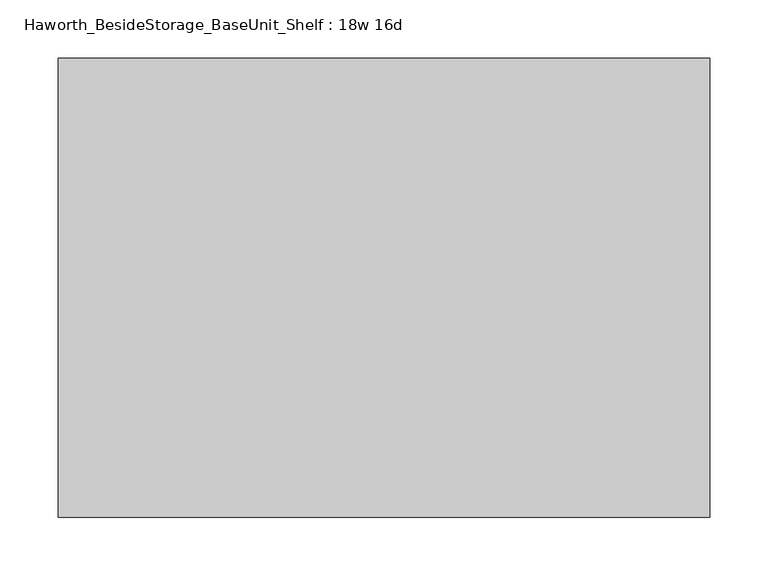
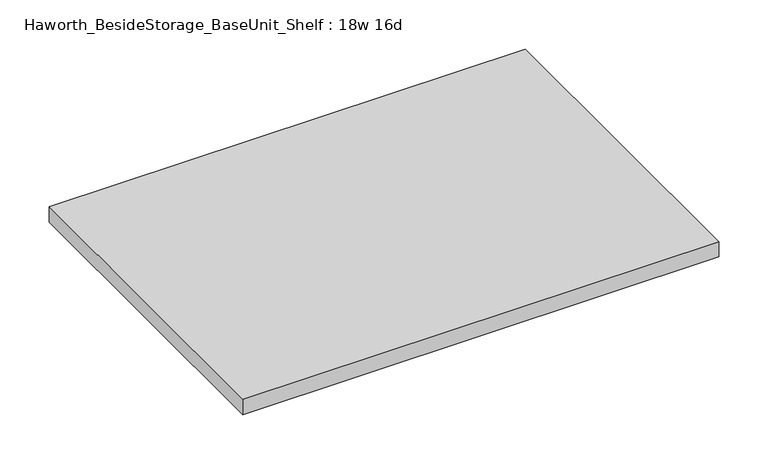
"""IFC4 building model written with IfcOpenShell, lengths in millimetres: furniture geometry, Haworth_BesideStorage_BaseUnit_Shelf : 18w 16d."""

from ifc_helpers import new_model, si_unit, frame, origin, place, context, project, spatial, polyline, outline, extrude, source, transform, mapped, element, save


def haworth_besidestorage_baseunit_shelf_18w_16d_e82ca074(model_context):
    return source(origin(), model_context, "Body", "SweptSolid", [
        extrude(outline(polyline([(279.4, 196.85), (279.4, -196.85), (-279.4, -196.85), (-279.4, 196.85), (279.4, 196.85)])), frame((0.0, 0.0, 277.8125), z_axis=(0.0, 0.0, 1.0), x_axis=(1.0, 0.0, 0.0)), (0.0, 0.0, 1.0), 19.05),
    ])


if __name__ == "__main__":
    model = new_model("IFC4")
    model_context = context("Model", 3, world=origin())
    ifc_project = project(units=[si_unit("LENGTHUNIT", "METRE", prefix="MILLI")], contexts=[model_context])
    site = spatial("IfcSite", under=ifc_project)
    building = spatial("IfcBuilding", under=site)
    placement = place(None, origin())
    haworth_besidestorage_baseunit_shelf_18w_16d_shape = haworth_besidestorage_baseunit_shelf_18w_16d_e82ca074(model_context)
    element("IfcFurniture", 1, ObjectType="Haworth_BesideStorage_BaseUnit_Shelf : 18w 16d", at=placement, inside=building, context=model_context, shape_type="MappedRepresentation", body=[
        mapped(haworth_besidestorage_baseunit_shelf_18w_16d_shape, transform((0.0, 0.0, 0.0), x_axis=(1.0, 0.0, 0.0), y_axis=(0.0, 1.0, 0.0), z_axis=(0.0, 0.0, 1.0))),
    ])
    save(model, "model.ifc")
